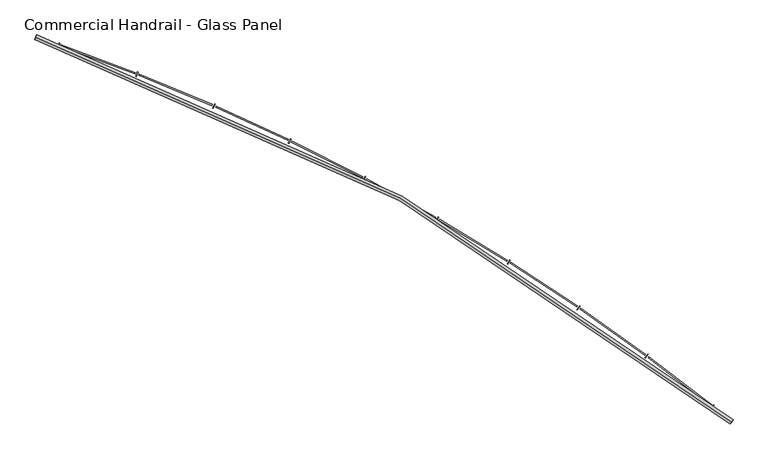
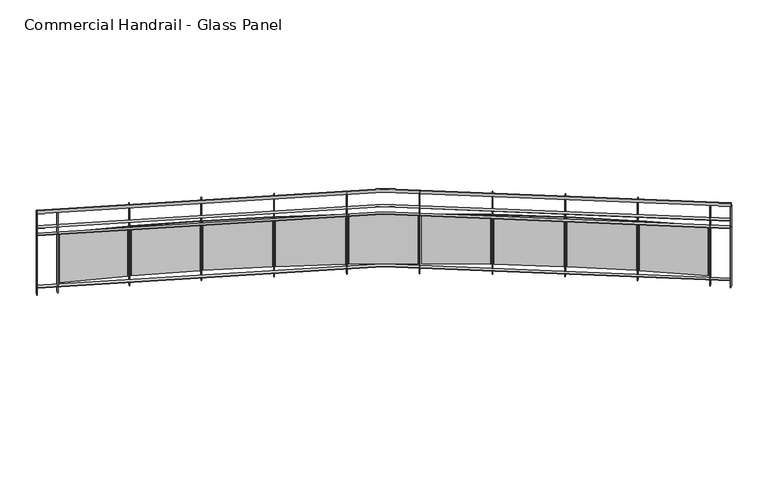
"""IFC4 building model written with IfcOpenShell, lengths in millimetres: railing geometry, Commercial Handrail - Glass Panel."""

from ifc_helpers import new_model, si_unit, point, frame, origin, place, context, project, spatial, polyline, circle_curve, ellipse_curve, trimmed, outline, extrude, source, transform, mapped, element, save
from ifc_brep_helpers import plane_surface, cylinder_surface, revolved_surface, advanced_brep


def commercial_handrail_glass_panel_33e9d414(model_context):
    return source(origin(), model_context, "Body", "SolidModel", [
        advanced_brep(
        [(150583.3685507, -40178.0609172, 6082.5), (143915.4015975, -36490.7578825, 6082.5), (143915.4015975, -36490.7578825, 6117.5), (150583.3685507, -40178.0609172, 6117.5)],
        [
            (0, 1, circle_curve(frame((137048.5497623, -56781.179875, 6082.5), z_axis=(0.0, 0.0, 1.0), x_axis=(0.3205678761961466, 0.9472255469269671, 0.0)), 21420.8981782)),
            (1, 2, ellipse_curve(frame((143915.4015975, -36490.7578825, 6100.0), z_axis=(0.9472255469269654, -0.32056787619615185, 0.0), x_axis=(-0.32056787619615185, -0.9472255469269654, 0.0)), 25.0, 17.5)),
            (2, 3, circle_curve(frame((137048.5497623, -56781.179875, 6117.5), z_axis=(0.0, 0.0, -1.0), x_axis=(0.3205678761961466, 0.9472255469269671, 0.0)), 21420.8981782)),
            (3, 0, ellipse_curve(frame((150583.3685507, -40178.0609172, 6100.0), z_axis=(-0.7750897660636329, 0.6318511332136889, 0.0), x_axis=(-0.6318511332136889, -0.7750897660636329, 0.0)), 25.0, 17.5)),
            (2, 1, ellipse_curve(frame((143915.4015975, -36490.7578825, 6100.0), z_axis=(0.9472255469269654, -0.32056787619615185, 0.0), x_axis=(-0.32056787619615185, -0.9472255469269654, 0.0)), 25.0, 17.5)),
            (0, 3, ellipse_curve(frame((150583.3685507, -40178.0609172, 6100.0), z_axis=(-0.7750897660636329, 0.6318511332136889, 0.0), x_axis=(-0.6318511332136889, -0.7750897660636329, 0.0)), 25.0, 17.5)),
        ],
        [
            revolved_surface(trimmed(ellipse_curve(frame((143915.4015975, -36490.7578825, 6100.0), z_axis=(-0.9472255469269671, 0.3205678761961466, 0.0), x_axis=(0.0, 0.0, -1.0)), 17.5, 25.0), [point((143915.4015975, -36490.7578825, 6117.5))], [point((143915.4015975, -36490.7578825, 6082.5))], True, "CARTESIAN"), (137048.5497623, -56781.179875, 6100.0), (0.0, 0.0, -1.0)),
            revolved_surface(trimmed(ellipse_curve(frame((143915.4015975, -36490.7578825, 6100.0), z_axis=(-0.9472255469269671, 0.3205678761961466, 0.0), x_axis=(0.0, 0.0, -1.0)), 17.5, 25.0), [point((143915.4015975, -36490.7578825, 6082.5))], [point((143915.4015975, -36490.7578825, 6117.5))], True, "CARTESIAN"), (137048.5497623, -56781.179875, 6100.0), (0.0, 0.0, -1.0)),
            plane_surface(frame((143915.4015975, -36490.7578825, 6100.0), z_axis=(-0.9472255469269671, 0.3205678761961466, 0.0), x_axis=(0.3205678761961466, 0.9472255469269671, 0.0))),
            plane_surface(frame((150583.3685507, -40178.0609172, 6100.0), z_axis=(0.7750897660636331, -0.6318511332136886, 0.0), x_axis=(0.6318511332136886, 0.7750897660636331, 0.0))),
        ],
        [
            (0, [[1, 2, 3, 4]]),
            (1, [[-3, 5, -1, 6]]),
            (2, [[-2, -5]]),
            (3, [[-6, -4]]),
        ],
    ),
        advanced_brep(
        [(150597.5852012, -40160.6213975, 5900.0), (143922.6143747, -36469.4453077, 5900.0), (143908.1888203, -36512.0704573, 5900.0), (150569.1519002, -40195.500437, 5900.0), (150597.5852012, -40160.6213975, 5894.0), (143922.6143747, -36469.4453077, 5894.0), (150569.1519002, -40195.500437, 5894.0), (143908.1888203, -36512.0704573, 5894.0)],
        [
            (0, 1, circle_curve(frame((137048.5497623, -56781.179875, 5900.0), z_axis=(0.0, 0.0, 1.0), x_axis=(0.3205678761961466, 0.9472255469269671, 0.0)), 21443.3981782)),
            (1, 2),
            (2, 3, circle_curve(frame((137048.5497623, -56781.179875, 5900.0), z_axis=(0.0, 0.0, -1.0), x_axis=(0.3205678761961466, 0.9472255469269671, 0.0)), 21398.3981782)),
            (3, 0),
            (4, 5, circle_curve(frame((137048.5497623, -56781.179875, 5894.0), z_axis=(0.0, 0.0, 1.0), x_axis=(0.3205678761961466, 0.9472255469269671, 0.0)), 21443.3981782)),
            (5, 1),
            (0, 4),
            (6, 7, circle_curve(frame((137048.5497623, -56781.179875, 5894.0), z_axis=(0.0, 0.0, 1.0), x_axis=(0.3205678761961466, 0.9472255469269671, 0.0)), 21398.3981782)),
            (7, 5),
            (4, 6),
            (2, 7),
            (6, 3),
        ],
        [
            plane_surface(frame((137048.5497623, -56781.179875, 5900.0), z_axis=(0.0, 0.0, 1.0), x_axis=(0.3205678761961466, 0.9472255469269671, 0.0))),
            cylinder_surface(frame((137048.5497623, -56781.179875, 5900.0), z_axis=(0.0, 0.0, -1.0), x_axis=(0.3205678761961466, 0.9472255469269671, 0.0)), 21443.3981782),
            plane_surface(frame((137048.5497623, -56781.179875, 5894.0), z_axis=(0.0, 0.0, -1.0), x_axis=(0.3205678761961466, 0.9472255469269671, 0.0))),
            revolved_surface(polyline([(143908.18882028508, -36512.07045729349, 5894.0), (143908.18882028508, -36512.07045729349, 5900.0)]), (137048.5497623, -56781.179875, 5900.0), (0.0, 0.0, -1.0)),
            plane_surface(frame((143915.4015975, -36490.7578825, 5900.0), z_axis=(-0.9472255469269671, 0.3205678761961466, 0.0), x_axis=(0.3205678761961466, 0.9472255469269671, 0.0))),
            plane_surface(frame((150583.3685507, -40178.0609172, 5900.0), z_axis=(0.7750897660636331, -0.6318511332136886, 0.0), x_axis=(0.6318511332136886, 0.7750897660636331, 0.0))),
        ],
        [
            (0, [[1, 2, 3, 4]]),
            (1, [[5, 6, -1, 7]]),
            (2, [[8, 9, -5, 10]]),
            (3, [[-3, 11, -8, 12]]),
            (4, [[-2, -6, -9, -11]]),
            (5, [[-12, -10, -7, -4]]),
        ],
    ),
        advanced_brep(
        [(150597.5852012, -40160.6213975, 5800.0), (143922.6143747, -36469.4453077, 5800.0), (143908.1888203, -36512.0704573, 5800.0), (150569.1519002, -40195.500437, 5800.0), (150597.5852012, -40160.6213975, 5794.0), (143922.6143747, -36469.4453077, 5794.0), (150569.1519002, -40195.500437, 5794.0), (143908.1888203, -36512.0704573, 5794.0)],
        [
            (0, 1, circle_curve(frame((137048.5497623, -56781.179875, 5800.0), z_axis=(0.0, 0.0, 1.0), x_axis=(0.3205678761961466, 0.9472255469269671, 0.0)), 21443.3981782)),
            (1, 2),
            (2, 3, circle_curve(frame((137048.5497623, -56781.179875, 5800.0), z_axis=(0.0, 0.0, -1.0), x_axis=(0.3205678761961466, 0.9472255469269671, 0.0)), 21398.3981782)),
            (3, 0),
            (4, 5, circle_curve(frame((137048.5497623, -56781.179875, 5794.0), z_axis=(0.0, 0.0, 1.0), x_axis=(0.3205678761961466, 0.9472255469269671, 0.0)), 21443.3981782)),
            (5, 1),
            (0, 4),
            (6, 7, circle_curve(frame((137048.5497623, -56781.179875, 5794.0), z_axis=(0.0, 0.0, 1.0), x_axis=(0.3205678761961466, 0.9472255469269671, 0.0)), 21398.3981782)),
            (7, 5),
            (4, 6),
            (2, 7),
            (6, 3),
        ],
        [
            plane_surface(frame((137048.5497623, -56781.179875, 5800.0), z_axis=(0.0, 0.0, 1.0), x_axis=(0.3205678761961466, 0.9472255469269671, 0.0))),
            cylinder_surface(frame((137048.5497623, -56781.179875, 5800.0), z_axis=(0.0, 0.0, -1.0), x_axis=(0.3205678761961466, 0.9472255469269671, 0.0)), 21443.3981782),
            plane_surface(frame((137048.5497623, -56781.179875, 5794.0), z_axis=(0.0, 0.0, -1.0), x_axis=(0.3205678761961466, 0.9472255469269671, 0.0))),
            revolved_surface(polyline([(143908.18882028508, -36512.07045729349, 5794.0), (143908.18882028508, -36512.07045729349, 5800.0)]), (137048.5497623, -56781.179875, 5800.0), (0.0, 0.0, -1.0)),
            plane_surface(frame((143915.4015975, -36490.7578825, 5800.0), z_axis=(-0.9472255469269671, 0.3205678761961466, 0.0), x_axis=(0.3205678761961466, 0.9472255469269671, 0.0))),
            plane_surface(frame((150583.3685507, -40178.0609172, 5800.0), z_axis=(0.7750897660636331, -0.6318511332136886, 0.0), x_axis=(0.6318511332136886, 0.7750897660636331, 0.0))),
        ],
        [
            (0, [[1, 2, 3, 4]]),
            (1, [[5, 6, -1, 7]]),
            (2, [[8, 9, -5, 10]]),
            (3, [[-3, 11, -8, 12]]),
            (4, [[-2, -6, -9, -11]]),
            (5, [[-12, -10, -7, -4]]),
        ],
    ),
        advanced_brep(
        [(150597.5852012, -40160.6213975, 5100.0), (143922.6143747, -36469.4453077, 5100.0), (143908.1888203, -36512.0704573, 5100.0), (150569.1519002, -40195.500437, 5100.0), (150597.5852012, -40160.6213975, 5094.0), (143922.6143747, -36469.4453077, 5094.0), (150569.1519002, -40195.500437, 5094.0), (143908.1888203, -36512.0704573, 5094.0)],
        [
            (0, 1, circle_curve(frame((137048.5497623, -56781.179875, 5100.0), z_axis=(0.0, 0.0, 1.0), x_axis=(0.3205678761961466, 0.9472255469269671, 0.0)), 21443.3981782)),
            (1, 2),
            (2, 3, circle_curve(frame((137048.5497623, -56781.179875, 5100.0), z_axis=(0.0, 0.0, -1.0), x_axis=(0.3205678761961466, 0.9472255469269671, 0.0)), 21398.3981782)),
            (3, 0),
            (4, 5, circle_curve(frame((137048.5497623, -56781.179875, 5094.0), z_axis=(0.0, 0.0, 1.0), x_axis=(0.3205678761961466, 0.9472255469269671, 0.0)), 21443.3981782)),
            (5, 1),
            (0, 4),
            (6, 7, circle_curve(frame((137048.5497623, -56781.179875, 5094.0), z_axis=(0.0, 0.0, 1.0), x_axis=(0.3205678761961466, 0.9472255469269671, 0.0)), 21398.3981782)),
            (7, 5),
            (4, 6),
            (2, 7),
            (6, 3),
        ],
        [
            plane_surface(frame((137048.5497623, -56781.179875, 5100.0), z_axis=(0.0, 0.0, 1.0), x_axis=(0.3205678761961466, 0.9472255469269671, 0.0))),
            cylinder_surface(frame((137048.5497623, -56781.179875, 5100.0), z_axis=(0.0, 0.0, -1.0), x_axis=(0.3205678761961466, 0.9472255469269671, 0.0)), 21443.3981782),
            plane_surface(frame((137048.5497623, -56781.179875, 5094.0), z_axis=(0.0, 0.0, -1.0), x_axis=(0.3205678761961466, 0.9472255469269671, 0.0))),
            revolved_surface(polyline([(143908.18882028508, -36512.07045729349, 5094.0), (143908.18882028508, -36512.07045729349, 5100.0)]), (137048.5497623, -56781.179875, 5100.0), (0.0, 0.0, -1.0)),
            plane_surface(frame((143915.4015975, -36490.7578825, 5100.0), z_axis=(-0.9472255469269671, 0.3205678761961466, 0.0), x_axis=(0.3205678761961466, 0.9472255469269671, 0.0))),
            plane_surface(frame((150583.3685507, -40178.0609172, 5100.0), z_axis=(0.7750897660636331, -0.6318511332136886, 0.0), x_axis=(0.6318511332136886, 0.7750897660636331, 0.0))),
        ],
        [
            (0, [[1, 2, 3, 4]]),
            (1, [[5, 6, -1, 7]]),
            (2, [[8, 9, -5, 10]]),
            (3, [[-3, 11, -8, 12]]),
            (4, [[-2, -6, -9, -11]]),
            (5, [[-12, -10, -7, -4]]),
        ],
    ),
        extrude(outline(polyline([(150387.8172497, -40049.3121821), (150415.8741434, -40014.1296479), (150420.565148, -40017.8705671), (150392.5082542, -40053.0531013), (150387.8172497, -40049.3121821)])), frame((0.0, 0.0, 5000.0), z_axis=(0.0, 0.0, 1.0), x_axis=(1.0, 0.0, 0.0)), (0.0, 0.0, 1.0), 1082.1192282),
        extrude(outline(polyline([(149791.3308783, -39551.0349259), (150394.2690459, -40013.7071274), (150386.9636954, -40023.2272037), (149784.0255278, -39560.5550022), (149791.3308783, -39551.0349259)])), frame((0.0, 0.0, 5120.0), z_axis=(0.0, 0.0, 1.0), x_axis=(1.0, 0.0, 0.0)), (0.0, 0.0, 1.0), 660.0),
        extrude(outline(polyline([(149753.7807796, -39562.917524), (149780.5044628, -39526.7119338), (149785.3318748, -39530.2750916), (149758.6081917, -39566.4806817), (149753.7807796, -39562.917524)])), frame((0.0, 0.0, 5000.0), z_axis=(0.0, 0.0, 1.0), x_axis=(1.0, 0.0, 0.0)), (0.0, 0.0, 1.0), 1082.1192282),
        extrude(outline(polyline([(149139.1056536, -39087.2593434), (149758.8986545, -39527.0963996), (149751.9538589, -39536.8826049), (149132.160858, -39097.0455487), (149139.1056536, -39087.2593434)])), frame((0.0, 0.0, 5120.0), z_axis=(0.0, 0.0, 1.0), x_axis=(1.0, 0.0, 0.0)), (0.0, 0.0, 1.0), 660.0),
        extrude(outline(polyline([(149102.0254116, -39100.5357023), (149127.3786149, -39063.3575489), (149132.335702, -39066.737976), (149106.9824987, -39103.9161294), (149102.0254116, -39100.5357023)])), frame((0.0, 0.0, 5000.0), z_axis=(0.0, 0.0, 1.0), x_axis=(1.0, 0.0, 0.0)), (0.0, 0.0, 1.0), 1082.1192282),
        extrude(outline(polyline([(148470.0187657, -38648.1599571), (149105.8022278, -39064.5484649), (149099.2276724, -39074.5871511), (148463.4442103, -38658.1986434), (148470.0187657, -38648.1599571)])), frame((0.0, 0.0, 5120.0), z_axis=(0.0, 0.0, 1.0), x_axis=(1.0, 0.0, 0.0)), (0.0, 0.0, 1.0), 660.0),
        extrude(outline(polyline([(148433.4600931, -38662.8115613), (148457.4074585, -38624.712694), (148462.4873075, -38627.9056761), (148438.5399421, -38666.0045433), (148433.4600931, -38662.8115613)])), frame((0.0, 0.0, 5000.0), z_axis=(0.0, 0.0, 1.0), x_axis=(1.0, 0.0, 0.0)), (0.0, 0.0, 1.0), 1082.1192282),
        extrude(outline(polyline([(147785.0033328, -38234.3491413), (148435.8905832, -38626.7083992), (148429.695437, -38636.9855663), (147778.8081866, -38244.6263084), (147785.0033328, -38234.3491413)])), frame((0.0, 0.0, 5120.0), z_axis=(0.0, 0.0, 1.0), x_axis=(1.0, 0.0, 0.0)), (0.0, 0.0, 1.0), 660.0),
        extrude(outline(polyline([(147749.0172148, -38250.3555574), (147771.5253451, -38211.3891094), (147776.7208715, -38214.3901934), (147754.2127412, -38253.3566414), (147749.0172148, -38250.3555574)])), frame((0.0, 0.0, 5000.0), z_axis=(0.0, 0.0, 1.0), x_axis=(1.0, 0.0, 0.0)), (0.0, 0.0, 1.0), 1082.1192282),
        extrude(outline(polyline([(147085.0146873, -37846.4040024), (147750.0979893, -38214.1868206), (147744.2908922, -38224.6881359), (147079.2075902, -37856.9053177), (147085.0146873, -37846.4040024)])), frame((0.0, 0.0, 5120.0), z_axis=(0.0, 0.0, 1.0), x_axis=(1.0, 0.0, 0.0)), (0.0, 0.0, 1.0), 660.0),
        extrude(outline(polyline([(147049.6513106, -37863.7429077), (147070.6888157, -37823.9632221), (147075.9927737, -37826.7682228), (147054.9552687, -37866.5479084), (147049.6513106, -37863.7429077)])), frame((0.0, 0.0, 5000.0), z_axis=(0.0, 0.0, 1.0), x_axis=(1.0, 0.0, 0.0)), (0.0, 0.0, 1.0), 1082.1192282),
        extrude(outline(polyline([(146371.0290434, -37484.8655743), (147049.3808623, -37827.5590376), (147043.9699129, -37838.2698558), (146365.618094, -37495.5763925), (146371.0290434, -37484.8655743)])), frame((0.0, 0.0, 5120.0), z_axis=(0.0, 0.0, 1.0), x_axis=(1.0, 0.0, 0.0)), (0.0, 0.0, 1.0), 660.0),
        extrude(outline(polyline([(146336.3377264, -37503.5127878), (146355.8752669, -37462.975342), (146361.2802597, -37465.5803474), (146341.7427192, -37506.1177932), (146336.3377264, -37503.5127878)])), frame((0.0, 0.0, 5000.0), z_axis=(0.0, 0.0, 1.0), x_axis=(1.0, 0.0, 0.0)), (0.0, 0.0, 1.0), 1082.1192282),
        extrude(outline(polyline([(145644.0421358, -37150.2380638), (146334.7164324, -37467.364247), (146329.7091769, -37478.2696306), (145639.0348803, -37161.1434474), (145644.0421358, -37150.2380638)])), frame((0.0, 0.0, 5120.0), z_axis=(0.0, 0.0, 1.0), x_axis=(1.0, 0.0, 0.0)), (0.0, 0.0, 1.0), 660.0),
        extrude(outline(polyline([(145610.0712594, -37170.1675797), (145628.0815881, -37128.9289078), (145633.5800777, -37131.3302849), (145615.569749, -37172.5689569), (145610.0712594, -37170.1675797)])), frame((0.0, 0.0, 5000.0), z_axis=(0.0, 0.0, 1.0), x_axis=(1.0, 0.0, 0.0)), (0.0, 0.0, 1.0), 1082.1192282),
        extrude(outline(polyline([(144905.0678309, -36842.9881472), (145607.1013808, -37134.1047815), (145602.5048024, -37145.1895217), (144900.4712525, -36854.0728874), (144905.0678309, -36842.9881472)])), frame((0.0, 0.0, 5120.0), z_axis=(0.0, 0.0, 1.0), x_axis=(1.0, 0.0, 0.0)), (0.0, 0.0, 1.0), 660.0),
        extrude(outline(polyline([(144871.8647714, -36864.1721715), (144888.3227707, -36822.2897855), (144893.9070889, -36824.4841854), (144877.4490896, -36866.3665714), (144871.8647714, -36864.1721715)])), frame((0.0, 0.0, 5000.0), z_axis=(0.0, 0.0, 1.0), x_axis=(1.0, 0.0, 0.0)), (0.0, 0.0, 1.0), 1082.1192282),
        extrude(outline(polyline([(144155.1367129, -36563.5443196), (144867.5504501, -36828.2454095), (144863.3709592, -36839.4940475), (144150.957222, -36574.7929575), (144155.1367129, -36563.5443196)])), frame((0.0, 0.0, 5120.0), z_axis=(0.0, 0.0, 1.0), x_axis=(1.0, 0.0, 0.0)), (0.0, 0.0, 1.0), 660.0),
        extrude(outline(polyline([(144122.7477757, -36585.9533088), (144137.6304932, -36543.4856185), (144143.2928519, -36545.4699808), (144128.4101344, -36587.9376712), (144122.7477757, -36585.9533088)])), frame((0.0, 0.0, 5000.0), z_axis=(0.0, 0.0, 1.0), x_axis=(1.0, 0.0, 0.0)), (0.0, 0.0, 1.0), 1082.1192282),
        extrude(outline(polyline([(150566.8266309, -40193.6048836), (150595.2599319, -40158.7258441), (150599.9104705, -40162.5169509), (150571.4771695, -40197.3959904), (150566.8266309, -40193.6048836)])), frame((0.0, 0.0, 5000.0), z_axis=(0.0, 0.0, 1.0), x_axis=(1.0, 0.0, 0.0)), (0.0, 0.0, 1.0), 1082.1192282),
        extrude(outline(polyline([(143905.3471437, -36511.1087537), (143919.7726981, -36468.4836041), (143925.4560514, -36470.4070113), (143911.030497, -36513.032161), (143905.3471437, -36511.1087537)])), frame((0.0, 0.0, 5000.0), z_axis=(0.0, 0.0, 1.0), x_axis=(1.0, 0.0, 0.0)), (0.0, 0.0, 1.0), 1082.1192282),
    ])


if __name__ == "__main__":
    model = new_model("IFC4")
    model_context = context("Model", 3, world=origin())
    ifc_project = project(units=[si_unit("LENGTHUNIT", "METRE", prefix="MILLI")], contexts=[model_context])
    site = spatial("IfcSite", under=ifc_project)
    building = spatial("IfcBuilding", under=site)
    placement = place(None, origin())
    commercial_handrail_glass_panel_shape = commercial_handrail_glass_panel_33e9d414(model_context)
    element("IfcRailing", 1, ObjectType="Commercial Handrail - Glass Panel", at=placement, inside=building, context=model_context, shape_type="MappedRepresentation", body=[
        mapped(commercial_handrail_glass_panel_shape, transform((0.0, 0.0, 0.0), x_axis=(1.0, 0.0, 0.0), y_axis=(0.0, 1.0, 0.0), z_axis=(0.0, 0.0, 1.0))),
    ])
    save(model, "model.ifc")
